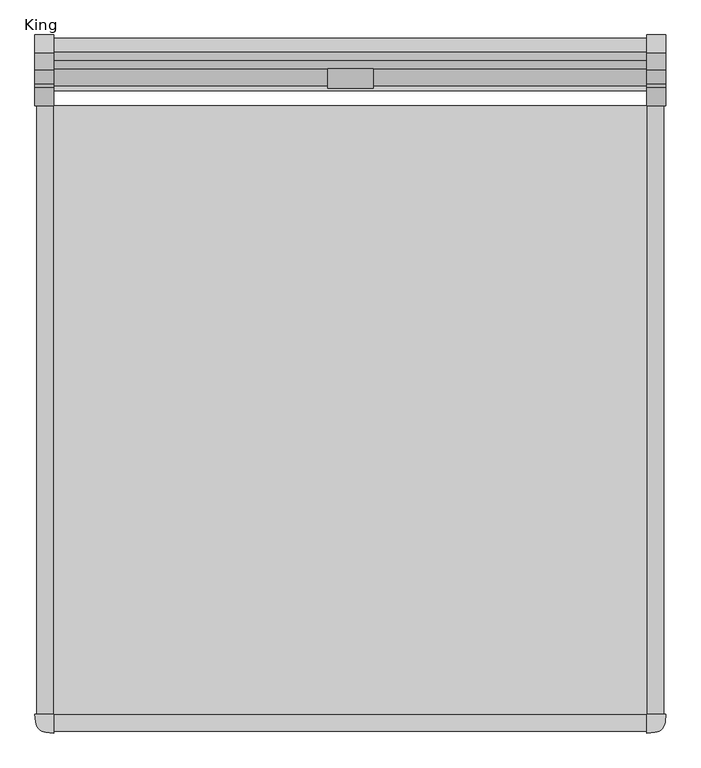
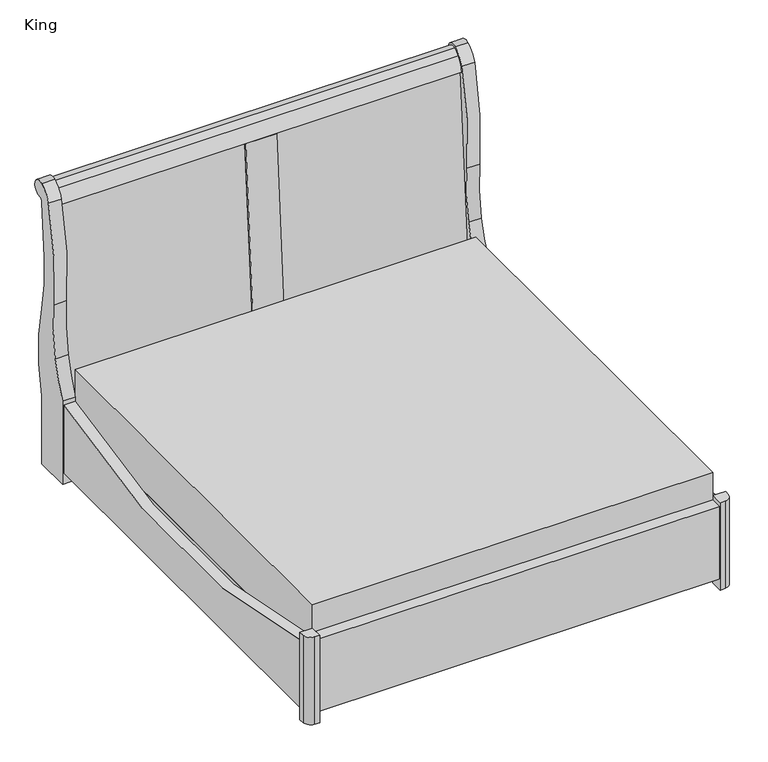
"""IFC4 building model written with IfcOpenShell, lengths in millimetres: furniture geometry, King."""

from ifc_helpers import new_model, si_unit, point, frame, frame_2d, origin, origin_with_axes, place, context, project, spatial, polyline, circle_curve, trimmed, segment, composite_curve, outline, extrude, source, transform, mapped, element, save


def king_456b0f90(model_context):
    return source(origin(), model_context, "Body", "SweptSolid", [
        extrude(outline(polyline([(990.6, -177.8), (990.6, -2209.8), (-990.6, -2209.8), (-990.6, -177.8), (990.6, -177.8)])), frame((0.0, 0.0, 298.45), z_axis=(0.0, 0.0, 1.0), x_axis=(1.0, 0.0, 0.0)), (0.0, 0.0, 1.0), 279.9216297),
        extrude(outline(polyline([(990.6, -177.8), (990.6, -2209.8), (-990.6, -2209.8), (-990.6, -177.8), (990.6, -177.8)])), frame((0.0, 0.0, 95.25), z_axis=(0.0, 0.0, 1.0), x_axis=(1.0, 0.0, 0.0)), (0.0, 0.0, 1.0), 203.2),
        extrude(outline(polyline([(-952.5, -177.8), (-952.5, -2209.8), (-990.6, -2209.8), (-990.6, -177.8), (-952.5, -177.8)])), frame((0.0, 0.0, 57.15), z_axis=(0.0, 0.0, 1.0), x_axis=(1.0, 0.0, 0.0)), (0.0, 0.0, 1.0), 38.1),
        extrude(outline(polyline([(952.5, -177.8), (990.6, -177.8), (990.6, -2209.8), (952.5, -2209.8), (952.5, -177.8)])), frame((0.0, 0.0, 57.15), z_axis=(0.0, 0.0, 1.0), x_axis=(1.0, 0.0, 0.0)), (0.0, 0.0, 1.0), 38.1),
        extrude(outline(polyline([(-990.6, -2209.8), (990.6, -2209.8), (990.6, -2266.95), (-990.6, -2266.95), (-990.6, -2209.8)])), frame((0.0, 0.0, 57.15), z_axis=(0.0, 0.0, 1.0), x_axis=(1.0, 0.0, 0.0)), (0.0, 0.0, 1.0), 378.3020861),
        extrude(outline(composite_curve([segment(polyline([(-177.8, 412.75), (-177.8, 57.15), (-2209.8, 57.15), (-2209.8, 412.75)]), True, "CONTINUOUS"), segment(trimmed(circle_curve(frame_2d((-1193.8, 3758.2307372)), 3496.354868), [point((-2209.8, 412.75))], [point((-177.8, 412.75))], True, "CARTESIAN"), True, "CONTINUOUS")], self_intersect=False)), frame((-1047.75, 0.0, 0.0), z_axis=(1.0, 0.0, 0.0), x_axis=(0.0, 1.0, 0.0)), (0.0, 0.0, 1.0), 57.15),
        extrude(outline(composite_curve([segment(polyline([(-177.8, 57.15), (-2209.8, 57.15), (-2209.8, 412.75)]), True, "CONTINUOUS"), segment(trimmed(circle_curve(frame_2d((-1193.8, 3758.2307372)), 3496.354868), [point((-2209.8, 412.75))], [point((-177.8, 412.75))], True, "CARTESIAN"), True, "CONTINUOUS"), segment(polyline([(-177.8, 412.75), (-177.8, 57.15)]), True, "CONTINUOUS")], self_intersect=False)), frame((990.6, 0.0, 0.0), z_axis=(1.0, 0.0, 0.0), x_axis=(0.0, 1.0, 0.0)), (0.0, 0.0, 1.0), 57.15),
        extrude(outline(composite_curve([segment(polyline([(-990.6, -2273.3), (-1017.1433717, -2270.9777559)]), True, "CONTINUOUS"), segment(trimmed(circle_curve(frame_2d((-1013.8227379, -2233.0227379)), 38.1), [point((-1017.1433717, -2270.9777559))], [point((-1051.7777559, -2236.3433717))], False, "CARTESIAN"), True, "CONTINUOUS"), segment(polyline([(-1051.7777559, -2236.3433717), (-1054.1, -2209.8), (-990.6, -2209.8), (-990.6, -2273.3)]), True, "CONTINUOUS")], self_intersect=False)), origin_with_axes(), (0.0, 0.0, 1.0), 457.2),
        extrude(outline(composite_curve([segment(polyline([(1054.1, -2209.8), (1051.7777559, -2236.3433717)]), True, "CONTINUOUS"), segment(trimmed(circle_curve(frame_2d((1013.8227379, -2233.0227379)), 38.1), [point((1051.7777559, -2236.3433717))], [point((1017.1433717, -2270.9777559))], False, "CARTESIAN"), True, "CONTINUOUS"), segment(polyline([(1017.1433717, -2270.9777559), (990.6, -2273.3), (990.6, -2209.8), (1054.1, -2209.8)]), True, "CONTINUOUS")], self_intersect=False)), origin_with_axes(), (0.0, 0.0, 1.0), 457.2),
        extrude(outline(polyline([(-110.7252522, 429.3587468), (-42.6999887, 1364.9426642), (-23.7704036, 1363.2865401), (-91.6752522, 429.3587468), (-110.7252522, 429.3587468)])), frame((-990.6, 0.0, 0.0), z_axis=(1.0, 0.0, 0.0), x_axis=(0.0, 1.0, 0.0)), (0.0, 0.0, 1.0), 914.4),
        extrude(outline(polyline([(-54.1283667, 1365.9425177), (-42.6999887, 1364.9426642), (-110.7252522, 429.3587468), (-119.620684, 429.3587468), (-54.1283667, 1365.9425177)])), frame((-76.2, 0.0, 0.0), z_axis=(1.0, 0.0, 0.0), x_axis=(0.0, 1.0, 0.0)), (0.0, 0.0, 1.0), 152.4),
        extrude(outline(polyline([(-110.7252522, 429.3587468), (-42.6999887, 1364.9426642), (-23.7704036, 1363.2865401), (-91.6752522, 429.3587468), (-110.7252522, 429.3587468)])), frame((76.2, 0.0, 0.0), z_axis=(1.0, 0.0, 0.0), x_axis=(0.0, 1.0, 0.0)), (0.0, 0.0, 1.0), 914.4),
        extrude(outline(polyline([(990.6, -76.4601097), (990.6, -127.2601097), (-990.6, -127.2601097), (-990.6, -76.4601097), (990.6, -76.4601097)])), frame((0.0, 0.0, 149.9587468), z_axis=(0.0, 0.0, 1.0), x_axis=(1.0, 0.0, 0.0)), (0.0, 0.0, 1.0), 279.4),
        extrude(outline(composite_curve([segment(trimmed(circle_curve(frame_2d((90.0752961, 1168.4680106)), 240.0575572), [point((25.1025896, 1399.5657781))], [point((18.8490974, 1397.7156046))], True, "CARTESIAN"), True, "CONTINUOUS"), segment(trimmed(circle_curve(frame_2d((30.8266052, 1359.1649745)), 40.3684502), [point((18.8490974, 1397.7156046))], [point((-8.2645787, 1369.2392546))], True, "CARTESIAN"), True, "CONTINUOUS"), segment(trimmed(circle_curve(frame_2d((93.455181, 1343.0248184)), 105.0433538), [point((-8.2645787, 1369.2392546))], [point((-9.8475124, 1362.0684449))], True, "CARTESIAN"), True, "CONTINUOUS"), segment(polyline([(-9.8475124, 1362.0684449), (-54.1283667, 1365.9425177)]), True, "CONTINUOUS"), segment(trimmed(circle_curve(frame_2d((59.8986381, 1360.7502697)), 114.1451588), [point((-54.1283667, 1365.9425177))], [point((-25.7323633, 1436.2250924))], False, "CARTESIAN"), True, "CONTINUOUS"), segment(trimmed(circle_curve(frame_2d((45.7796735, 1373.1946687)), 95.3247383), [point((-25.7323633, 1436.2250924))], [point((3.6686724, 1458.713493))], False, "CARTESIAN"), True, "CONTINUOUS"), segment(trimmed(circle_curve(frame_2d((16.5658309, 1429.9296952)), 31.5411432), [point((3.6686724, 1458.713493))], [point((25.1025896, 1399.5657781))], False, "CARTESIAN"), True, "CONTINUOUS")], self_intersect=False)), frame((-990.6, 0.0, 0.0), z_axis=(1.0, 0.0, 0.0), x_axis=(0.0, 1.0, 0.0)), (0.0, 0.0, 1.0), 1981.2),
        extrude(outline(composite_curve([segment(polyline([(-177.8, 0.0), (-177.8, 435.4520861)]), True, "CONTINUOUS"), segment(trimmed(circle_curve(frame_2d((-895.0244287, 780.5446268)), 795.9269708), [point((-177.8, 435.4520861))], [point((-115.7332106, 618.6652269))], True, "CARTESIAN"), True, "CONTINUOUS"), segment(trimmed(circle_curve(frame_2d((-999.1166344, 802.1673314)), 902.2412626), [point((-115.7332106, 618.6652269))], [point((-101.4189358, 892.6003887))], True, "CARTESIAN"), True, "CONTINUOUS"), segment(trimmed(circle_curve(frame_2d((1253.1662602, 1029.059779)), 1361.4412285), [point((-101.4189358, 892.6003887))], [point((-57.1438185, 1398.6672953))], False, "CARTESIAN"), True, "CONTINUOUS"), segment(trimmed(circle_curve(frame_2d((47.0266148, 1369.2832772)), 108.2353902), [point((-57.1438185, 1398.6672953))], [point((0.0, 1466.7686463))], False, "CARTESIAN"), True, "CONTINUOUS"), segment(trimmed(circle_curve(frame_2d((17.9605122, 1429.5368112)), 41.3375077), [point((0.0, 1466.7686463))], [point((17.9605122, 1388.1993035))], False, "CARTESIAN"), True, "CONTINUOUS"), segment(trimmed(circle_curve(frame_2d((17.9605122, 1370.2387913)), 17.9605122), [point((17.9605122, 1388.1993035))], [point((0.0, 1370.2387913))], True, "CARTESIAN"), True, "CONTINUOUS"), segment(trimmed(circle_curve(frame_2d((-2910.4607621, 1433.7169005)), 2911.152919), [point((0.0, 1370.2387913))], [point((-19.4899588, 1091.5193956))], False, "CARTESIAN"), True, "CONTINUOUS"), segment(trimmed(circle_curve(frame_2d((724.244668, 1003.4852539)), 748.9267022), [point((-19.4899588, 1091.5193956))], [point((0.0, 812.8))], True, "CARTESIAN"), True, "CONTINUOUS"), segment(trimmed(circle_curve(frame_2d((-868.2492629, 584.2)), 897.8389291), [point((0.0, 812.8))], [point((0.0, 355.6))], False, "CARTESIAN"), True, "CONTINUOUS"), segment(polyline([(0.0, 355.6), (0.0, 0.0), (-177.8, 0.0)]), True, "CONTINUOUS")], self_intersect=False)), frame((-1054.1, 0.0, 0.0), z_axis=(1.0, 0.0, 0.0), x_axis=(0.0, 1.0, 0.0)), (0.0, 0.0, 1.0), 63.5),
        extrude(outline(composite_curve([segment(polyline([(-177.8, 0.0), (-177.8, 435.4520861)]), True, "CONTINUOUS"), segment(trimmed(circle_curve(frame_2d((-895.0244287, 780.5446268)), 795.9269708), [point((-177.8, 435.4520861))], [point((-115.7332106, 618.6652269))], True, "CARTESIAN"), True, "CONTINUOUS"), segment(trimmed(circle_curve(frame_2d((-999.1166344, 802.1673314)), 902.2412626), [point((-115.7332106, 618.6652269))], [point((-101.4189358, 892.6003887))], True, "CARTESIAN"), True, "CONTINUOUS"), segment(trimmed(circle_curve(frame_2d((1253.1662602, 1029.059779)), 1361.4412285), [point((-101.4189358, 892.6003887))], [point((-57.1438185, 1398.6672953))], False, "CARTESIAN"), True, "CONTINUOUS"), segment(trimmed(circle_curve(frame_2d((47.0266148, 1369.2832772)), 108.2353902), [point((-57.1438185, 1398.6672953))], [point((0.0, 1466.7686463))], False, "CARTESIAN"), True, "CONTINUOUS"), segment(trimmed(circle_curve(frame_2d((17.9605122, 1429.5368112)), 41.3375077), [point((0.0, 1466.7686463))], [point((17.9605122, 1388.1993035))], False, "CARTESIAN"), True, "CONTINUOUS"), segment(trimmed(circle_curve(frame_2d((17.9605122, 1370.2387913)), 17.9605122), [point((17.9605122, 1388.1993035))], [point((0.0, 1370.2387913))], True, "CARTESIAN"), True, "CONTINUOUS"), segment(trimmed(circle_curve(frame_2d((-2910.4607621, 1433.7169005)), 2911.152919), [point((0.0, 1370.2387913))], [point((-19.4899588, 1091.5193956))], False, "CARTESIAN"), True, "CONTINUOUS"), segment(trimmed(circle_curve(frame_2d((724.244668, 1003.4852539)), 748.9267022), [point((-19.4899588, 1091.5193956))], [point((0.0, 812.8))], True, "CARTESIAN"), True, "CONTINUOUS"), segment(trimmed(circle_curve(frame_2d((-868.2492629, 584.2)), 897.8389291), [point((0.0, 812.8))], [point((0.0, 355.6))], False, "CARTESIAN"), True, "CONTINUOUS"), segment(polyline([(0.0, 355.6), (0.0, 0.0), (-177.8, 0.0)]), True, "CONTINUOUS")], self_intersect=False)), frame((990.6, 0.0, 0.0), z_axis=(1.0, 0.0, 0.0), x_axis=(0.0, 1.0, 0.0)), (0.0, 0.0, 1.0), 63.5),
    ])


if __name__ == "__main__":
    model = new_model("IFC4")
    model_context = context("Model", 3, world=origin())
    ifc_project = project(units=[si_unit("LENGTHUNIT", "METRE", prefix="MILLI")], contexts=[model_context])
    site = spatial("IfcSite", under=ifc_project)
    building = spatial("IfcBuilding", under=site)
    placement = place(None, origin())
    king_shape = king_456b0f90(model_context)
    element("IfcFurniture", 1, ObjectType="King", at=placement, inside=building, context=model_context, shape_type="MappedRepresentation", body=[
        mapped(king_shape, transform((0.0, 0.0, 0.0), x_axis=(1.0, 0.0, 0.0), y_axis=(0.0, 1.0, 0.0), z_axis=(0.0, 0.0, 1.0))),
    ])
    save(model, "model.ifc")
